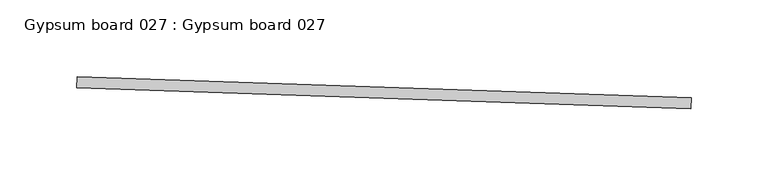
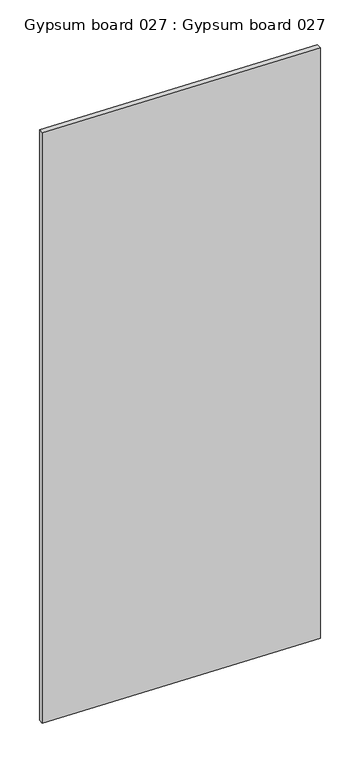
"""IFC4 building model written with IfcOpenShell, lengths in millimetres: proxy geometry, Gypsum board 027 : Gypsum board 027."""

from ifc_helpers import new_model, si_unit, frame, origin, place, context, project, spatial, polyline, outline, extrude, source, transform, mapped, element, save


def gypsum_board_027_gypsum_board_027_b63222d5(model_context):
    return source(origin(), model_context, "Body", "SweptSolid", [
        extrude(outline(polyline([(35010.4257879, -15256.415897), (34610.6098381, -15242.733474), (34610.8532841, -15235.6197039), (35010.6692339, -15249.3021269), (35010.4257879, -15256.415897)])), frame((0.0, 0.0, 1597.975708), z_axis=(0.0, 0.0, 1.0), x_axis=(1.0, 0.0, 0.0)), (0.0, 0.0, 1.0), 914.4),
    ])


if __name__ == "__main__":
    model = new_model("IFC4")
    model_context = context("Model", 3, world=origin())
    ifc_project = project(units=[si_unit("LENGTHUNIT", "METRE", prefix="MILLI")], contexts=[model_context])
    site = spatial("IfcSite", under=ifc_project)
    building = spatial("IfcBuilding", under=site)
    placement = place(None, origin())
    gypsum_board_027_gypsum_board_027_shape = gypsum_board_027_gypsum_board_027_b63222d5(model_context)
    element("IfcBuildingElementProxy", 1, Name="Gypsum board 027 : Gypsum board 027", ObjectType="Gypsum board 027 : Gypsum board 027", at=placement, inside=building, context=model_context, shape_type="MappedRepresentation", body=[
        mapped(gypsum_board_027_gypsum_board_027_shape, transform((0.0, 0.0, 0.0), x_axis=(1.0, 0.0, 0.0), y_axis=(0.0, 1.0, 0.0), z_axis=(0.0, 0.0, 1.0))),
    ])
    save(model, "model.ifc")
